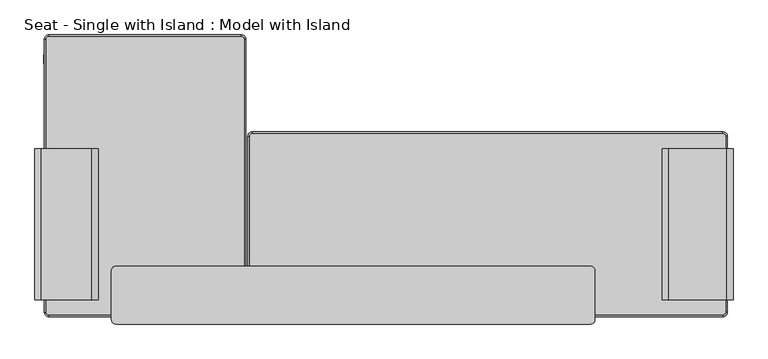
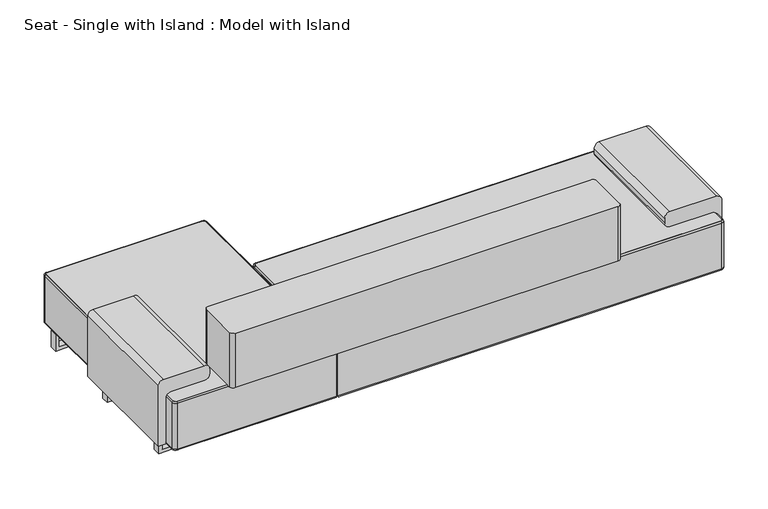
"""IFC4 building model written with IfcOpenShell, lengths in millimetres: furniture geometry, Seat - Single with Island : Model with Island."""

from ifc_helpers import new_model, si_unit, point, frame, frame_2d, origin, place, context, project, spatial, polyline, circle_curve, ellipse_curve, trimmed, segment, composite_curve, outline, extrude, source, transform, mapped, element, save
from ifc_brep_helpers import plane_surface, cylinder_surface, revolved_surface, advanced_brep


def seat_single_with_island_model_with_island_8a5f3a37(model_context):
    return source(origin(), model_context, "Body", "SolidModel", [
        extrude(outline(composite_curve([segment(polyline([(546.4482787, -1724.669966), (115.9164827, -1724.669966), (115.9164827, -1674.0949403), (441.7181484, -1674.0949403)]), True, "CONTINUOUS"), segment(trimmed(circle_curve(frame_2d((441.7181484, -1639.1594762)), 34.9354641), [point((441.7181484, -1674.0949403))], [point((476.6536125, -1639.1594762))], True, "CARTESIAN"), True, "CONTINUOUS"), segment(polyline([(476.6536125, -1639.1594762), (476.6536125, -1415.6900755)]), True, "CONTINUOUS"), segment(trimmed(circle_curve(frame_2d((511.5890766, -1415.6900755)), 34.9354641), [point((476.6536125, -1415.6900755))], [point((511.5890766, -1380.7546114))], False, "CARTESIAN"), True, "CONTINUOUS"), segment(polyline([(511.5890766, -1380.7546114), (546.4482787, -1380.7546114)]), True, "CONTINUOUS"), segment(trimmed(circle_curve(frame_2d((546.4482787, -1415.6900755)), 34.9354641), [point((546.4482787, -1380.7546114))], [point((581.3837428, -1415.6900755))], False, "CARTESIAN"), True, "CONTINUOUS"), segment(polyline([(581.3837428, -1415.6900755), (581.3837428, -1689.7345019)]), True, "CONTINUOUS"), segment(trimmed(circle_curve(frame_2d((546.4482787, -1689.7345019)), 34.9354641), [point((581.3837428, -1689.7345019))], [point((546.4482787, -1724.669966))], False, "CARTESIAN"), True, "CONTINUOUS")], self_intersect=False)), frame((0.0, 131.4012312, 0.0), z_axis=(0.0, 1.0, 0.0), x_axis=(0.0, 0.0, 1.0)), (0.0, 0.0, 1.0), 818.7308846),
        extrude(outline(composite_curve([segment(polyline([(441.7181484, 2028.0500347), (115.9164827, 2028.0500347), (115.9164827, 2058.3956976), (546.4482787, 2058.3956976)]), True, "CONTINUOUS"), segment(trimmed(circle_curve(frame_2d((546.4482787, 2023.4602335)), 34.9354641), [point((546.4482787, 2058.3956976))], [point((581.3837428, 2023.4602335))], False, "CARTESIAN"), True, "CONTINUOUS"), segment(polyline([(581.3837428, 2023.4602335), (581.3837428, 1708.9554628)]), True, "CONTINUOUS"), segment(trimmed(circle_curve(frame_2d((546.4482787, 1708.9554628)), 34.9354641), [point((581.3837428, 1708.9554628))], [point((546.4482787, 1674.0199987))], False, "CARTESIAN"), True, "CONTINUOUS"), segment(polyline([(546.4482787, 1674.0199987), (511.5890766, 1674.0199987)]), True, "CONTINUOUS"), segment(trimmed(circle_curve(frame_2d((511.5890766, 1708.9554628)), 34.9354641), [point((511.5890766, 1674.0199987))], [point((476.6536125, 1708.9554628))], False, "CARTESIAN"), True, "CONTINUOUS"), segment(polyline([(476.6536125, 1708.9554628), (476.6536125, 1993.1145706)]), True, "CONTINUOUS"), segment(trimmed(circle_curve(frame_2d((441.7181484, 1993.1145706)), 34.9354641), [point((476.6536125, 1993.1145706))], [point((441.7181484, 2028.0500347))], True, "CARTESIAN"), True, "CONTINUOUS")], self_intersect=False)), frame((0.0, 131.4012312, 0.0), z_axis=(0.0, 1.0, 0.0), x_axis=(0.0, 0.0, 1.0)), (0.0, 0.0, 1.0), 818.7308846),
        extrude(outline(composite_curve([segment(polyline([(-591.6216984, 1542.0142418), (-591.6216984, 50.4316258), (-1649.3641781, 50.4316258)]), True, "CONTINUOUS"), segment(trimmed(circle_curve(frame_2d((-1649.3641781, 65.1249172)), 14.6932914), [point((-1649.3641781, 50.4316258))], [point((-1664.0574695, 65.1249172))], False, "CARTESIAN"), True, "CONTINUOUS"), segment(polyline([(-1664.0574695, 65.1249172), (-1664.0574695, 1542.0142418)]), True, "CONTINUOUS"), segment(trimmed(circle_curve(frame_2d((-1649.3641781, 1542.0142418)), 14.6932914), [point((-1664.0574695, 1542.0142418))], [point((-1649.3641781, 1556.7075332))], False, "CARTESIAN"), True, "CONTINUOUS"), segment(polyline([(-1649.3641781, 1556.7075332), (-606.3149898, 1556.7075332)]), True, "CONTINUOUS"), segment(trimmed(circle_curve(frame_2d((-606.3149898, 1542.0142418)), 14.6932914), [point((-606.3149898, 1556.7075332))], [point((-591.6216984, 1542.0142418))], False, "CARTESIAN"), True, "CONTINUOUS")], self_intersect=False)), frame((0.0, 0.0, 115.0), z_axis=(0.0, 0.0, 1.0), x_axis=(1.0, 0.0, 0.0)), (0.0, 0.0, 1.0), 345.0),
        extrude(outline(composite_curve([segment(trimmed(circle_curve(frame_2d((-546.812107, 1016.4093171)), 14.6932914), [point((-561.5053984, 1016.4093171))], [point((-546.812107, 1031.1026085))], False, "CARTESIAN"), True, "CONTINUOUS"), segment(polyline([(-546.812107, 1031.1026085), (2003.3942141, 1031.1026085)]), True, "CONTINUOUS"), segment(trimmed(circle_curve(frame_2d((2003.3942141, 1016.4093171)), 14.6932914), [point((2003.3942141, 1031.1026085))], [point((2018.0875055, 1016.4093171))], False, "CARTESIAN"), True, "CONTINUOUS"), segment(polyline([(2018.0875055, 1016.4093171), (2018.0875055, 65.1249172)]), True, "CONTINUOUS"), segment(trimmed(circle_curve(frame_2d((2003.3942141, 65.1249172)), 14.6932914), [point((2018.0875055, 65.1249172))], [point((2003.3942141, 50.4316258))], False, "CARTESIAN"), True, "CONTINUOUS"), segment(polyline([(2003.3942141, 50.4316258), (-561.5053984, 50.4316258), (-561.5053984, 1016.4093171)]), True, "CONTINUOUS")], self_intersect=False)), frame((0.0, 0.0, 115.0), z_axis=(0.0, 0.0, 1.0), x_axis=(1.0, 0.0, 0.0)), (0.0, 0.0, 1.0), 345.0),
        extrude(outline(composite_curve([segment(trimmed(circle_curve(frame_2d((1285.217842, 288.6480378)), 24.6932914), [point((1285.217842, 313.3413292))], [point((1309.9111334, 288.6480378))], False, "CARTESIAN"), True, "CONTINUOUS"), segment(polyline([(1309.9111334, 288.6480378), (1309.9111334, 24.6932914)]), True, "CONTINUOUS"), segment(trimmed(circle_curve(frame_2d((1285.217842, 24.6932914)), 24.6932914), [point((1309.9111334, 24.6932914))], [point((1285.217842, 0.0))], False, "CARTESIAN"), True, "CONTINUOUS"), segment(polyline([(1285.217842, 0.0), (-1285.217842, 0.0)]), True, "CONTINUOUS"), segment(trimmed(circle_curve(frame_2d((-1285.217842, 24.6932914)), 24.6932914), [point((-1285.217842, 0.0))], [point((-1309.9111334, 24.6932914))], False, "CARTESIAN"), True, "CONTINUOUS"), segment(polyline([(-1309.9111334, 24.6932914), (-1309.9111334, 288.6480378)]), True, "CONTINUOUS"), segment(trimmed(circle_curve(frame_2d((-1285.217842, 288.6480378)), 24.6932914), [point((-1309.9111334, 288.6480378))], [point((-1285.217842, 313.3413292))], False, "CARTESIAN"), True, "CONTINUOUS"), segment(polyline([(-1285.217842, 313.3413292), (1285.217842, 313.3413292)]), True, "CONTINUOUS")], self_intersect=False)), frame((0.0, 0.0, 460.0), z_axis=(0.0, 0.0, 1.0), x_axis=(1.0, 0.0, 0.0)), (0.0, 0.0, 1.0), 385.0),
        extrude(outline(polyline([(23.1404972, 1674.0199987), (0.0, 1674.0199987), (0.0, 2028.0500347), (115.9164827, 2028.0500347), (115.9164827, 2005.2387677), (23.1404972, 2005.2387677), (23.1404972, 1674.0199987)])), frame((0.0, 810.0, 0.0), z_axis=(0.0, 1.0, 0.0), x_axis=(0.0, 0.0, 1.0)), (0.0, 0.0, 1.0), 50.0),
        extrude(outline(polyline([(23.1404972, 1674.0199987), (0.0, 1674.0199987), (0.0, 2028.0500347), (115.9164827, 2028.0500347), (115.9164827, 2005.2387677), (23.1404972, 2005.2387677), (23.1404972, 1674.0199987)])), frame((0.0, 210.0, 0.0), z_axis=(0.0, 1.0, 0.0), x_axis=(0.0, 0.0, 1.0)), (0.0, 0.0, 1.0), 50.0),
        extrude(outline(polyline([(0.0, -1676.4326517), (0.0, -1582.9227215), (23.1404972, -1582.9227215), (23.1404972, -1653.6213847), (115.9164827, -1653.6213847), (115.9164827, -1676.4326517), (0.0, -1676.4326517)])), frame((0.0, 1410.0, 0.0), z_axis=(0.0, 1.0, 0.0), x_axis=(0.0, 0.0, 1.0)), (0.0, 0.0, 1.0), 50.0),
        extrude(outline(polyline([(115.9164827, -611.8870359), (115.9164827, -634.6983029), (23.1404972, -634.6983029), (23.1404972, -705.3969661), (0.0, -705.3969661), (0.0, -611.8870359), (115.9164827, -611.8870359)])), frame((0.0, 1410.0, 0.0), z_axis=(0.0, 1.0, 0.0), x_axis=(0.0, 0.0, 1.0)), (0.0, 0.0, 1.0), 50.0),
        extrude(outline(polyline([(0.0, -1676.4326517), (0.0, -1582.9227215), (23.1404972, -1582.9227215), (23.1404972, -1653.6213847), (115.9164827, -1653.6213847), (115.9164827, -1676.4326517), (0.0, -1676.4326517)])), frame((0.0, 210.0, 0.0), z_axis=(0.0, 1.0, 0.0), x_axis=(0.0, 0.0, 1.0)), (0.0, 0.0, 1.0), 50.0),
        extrude(outline(polyline([(115.9164827, -611.8870359), (115.9164827, -634.6983029), (23.1404972, -634.6983029), (23.1404972, -705.3969661), (0.0, -705.3969661), (0.0, -611.8870359), (115.9164827, -611.8870359)])), frame((0.0, 210.0, 0.0), z_axis=(0.0, 1.0, 0.0), x_axis=(0.0, 0.0, 1.0)), (0.0, 0.0, 1.0), 50.0),
        extrude(outline(polyline([(0.0, -1676.4326517), (0.0, -1582.9227215), (23.1404972, -1582.9227215), (23.1404972, -1653.6213847), (115.9164827, -1653.6213847), (115.9164827, -1676.4326517), (0.0, -1676.4326517)])), frame((0.0, 810.0, 0.0), z_axis=(0.0, 1.0, 0.0), x_axis=(0.0, 0.0, 1.0)), (0.0, 0.0, 1.0), 50.0),
        extrude(outline(polyline([(115.9164827, -611.8870359), (115.9164827, -634.6983029), (23.1404972, -634.6983029), (23.1404972, -705.3969661), (0.0, -705.3969661), (0.0, -611.8870359), (115.9164827, -611.8870359)])), frame((0.0, 810.0, 0.0), z_axis=(0.0, 1.0, 0.0), x_axis=(0.0, 0.0, 1.0)), (0.0, 0.0, 1.0), 50.0),
        advanced_brep(
        [(-571.5053984, 1016.4093171, 125.0), (-546.812107, 1041.1026085, 125.0), (-546.812107, 1031.1026085, 115.0), (-561.5053984, 1016.4093171, 115.0), (-571.5053984, 1016.4093171, 450.0), (-546.812107, 1041.1026085, 450.0), (-561.5053984, 1016.4093171, 460.0), (-546.812107, 1031.1026085, 460.0), (-561.5053984, 50.4316258, 115.0), (-571.5053984, 40.4316258, 125.0), (-571.5053984, 40.4316258, 450.0), (-561.5053984, 50.4316258, 460.0), (2003.3942141, 50.4316258, 115.0), (2003.3942141, 40.4316258, 125.0), (2003.3942141, 40.4316258, 450.0), (2003.3942141, 50.4316258, 460.0), (2028.0875055, 65.1249172, 125.0), (2018.0875055, 65.1249172, 115.0), (2028.0875055, 65.1249172, 450.0), (2018.0875055, 65.1249172, 460.0), (2018.0875055, 1016.4093171, 115.0), (2028.0875055, 1016.4093171, 125.0), (2028.0875055, 1016.4093171, 450.0), (2018.0875055, 1016.4093171, 460.0), (2003.3942141, 1041.1026085, 125.0), (2003.3942141, 1031.1026085, 115.0), (2003.3942141, 1041.1026085, 450.0), (2003.3942141, 1031.1026085, 460.0)],
        [
            (0, 1, circle_curve(frame((-546.812107, 1016.4093171, 125.0), z_axis=(0.0, 0.0, -1.0), x_axis=(0.0, 1.0, 0.0)), 24.6932914)),
            (1, 2, circle_curve(frame((-546.812107, 1031.1026085, 125.0), z_axis=(-1.0, 0.0, 0.0), x_axis=(0.0, -1.0, 0.0)), 10.0)),
            (2, 3, circle_curve(frame((-546.812107, 1016.4093171, 115.0), z_axis=(0.0, 0.0, 1.0), x_axis=(0.0, 1.0, 0.0)), 14.6932914)),
            (3, 0, circle_curve(frame((-561.5053984, 1016.4093171, 125.0), z_axis=(0.0, 1.0, 0.0), x_axis=(1.0, 0.0, 0.0)), 10.0)),
            (4, 5, circle_curve(frame((-546.812107, 1016.4093171, 450.0), z_axis=(0.0, 0.0, -1.0), x_axis=(0.0, 1.0, 0.0)), 24.6932914)),
            (5, 1),
            (0, 4),
            (6, 7, circle_curve(frame((-546.812107, 1016.4093171, 460.0), z_axis=(0.0, 0.0, -1.0), x_axis=(0.0, 1.0, 0.0)), 14.6932914)),
            (7, 5, circle_curve(frame((-546.812107, 1031.1026085, 450.0), z_axis=(-1.0, 0.0, 0.0), x_axis=(0.0, -1.0, 0.0)), 10.0)),
            (4, 6, circle_curve(frame((-561.5053984, 1016.4093171, 450.0), z_axis=(0.0, 1.0, 0.0), x_axis=(1.0, 0.0, 0.0)), 10.0)),
            (2, 7),
            (6, 3),
            (3, 8),
            (8, 9, ellipse_curve(frame((-561.5053984, 50.4316258, 125.0), z_axis=(-0.7071067811865429, 0.707106781186552, 0.0), x_axis=(0.7071067811865519, 0.707106781186543, 0.0)), 14.1421356, 10.0)),
            (9, 0),
            (9, 10),
            (10, 4),
            (10, 11, ellipse_curve(frame((-561.5053984, 50.4316258, 450.0), z_axis=(-0.7071067811865429, 0.707106781186552, 0.0), x_axis=(0.7071067811865519, 0.707106781186543, 0.0)), 14.1421356, 10.0)),
            (11, 6),
            (11, 8),
            (8, 12),
            (12, 13, circle_curve(frame((2003.3942141, 50.4316258, 125.0), z_axis=(-1.0, 0.0, 0.0), x_axis=(0.0, 1.0, 0.0)), 10.0)),
            (13, 9),
            (13, 14),
            (14, 10),
            (14, 15, circle_curve(frame((2003.3942141, 50.4316258, 450.0), z_axis=(-1.0, 0.0, 0.0), x_axis=(0.0, 1.0, 0.0)), 10.0)),
            (15, 11),
            (15, 12),
            (16, 13, circle_curve(frame((2003.3942141, 65.1249172, 125.0), z_axis=(0.0, 0.0, -1.0), x_axis=(0.0, -1.0, 0.0)), 24.6932914)),
            (12, 17, circle_curve(frame((2003.3942141, 65.1249172, 115.0), z_axis=(0.0, 0.0, 1.0), x_axis=(0.0, -1.0, 0.0)), 14.6932914)),
            (17, 16, circle_curve(frame((2018.0875055, 65.1249172, 125.0), z_axis=(0.0, -1.0, 0.0), x_axis=(-1.0, 0.0, 0.0)), 10.0)),
            (18, 14, circle_curve(frame((2003.3942141, 65.1249172, 450.0), z_axis=(0.0, 0.0, -1.0), x_axis=(0.0, -1.0, 0.0)), 24.6932914)),
            (16, 18),
            (19, 15, circle_curve(frame((2003.3942141, 65.1249172, 460.0), z_axis=(0.0, 0.0, -1.0), x_axis=(0.0, -1.0, 0.0)), 14.6932914)),
            (18, 19, circle_curve(frame((2018.0875055, 65.1249172, 450.0), z_axis=(0.0, -1.0, 0.0), x_axis=(-1.0, 0.0, 0.0)), 10.0)),
            (19, 17),
            (17, 20),
            (20, 21, circle_curve(frame((2018.0875055, 1016.4093171, 125.0), z_axis=(0.0, -1.0, 0.0), x_axis=(-1.0, 0.0, 0.0)), 10.0)),
            (21, 16),
            (21, 22),
            (22, 18),
            (22, 23, circle_curve(frame((2018.0875055, 1016.4093171, 450.0), z_axis=(0.0, -1.0, 0.0), x_axis=(-1.0, 0.0, 0.0)), 10.0)),
            (23, 19),
            (23, 20),
            (24, 21, circle_curve(frame((2003.3942141, 1016.4093171, 125.0), z_axis=(0.0, 0.0, -1.0), x_axis=(1.0, 0.0, 0.0)), 24.6932914)),
            (20, 25, circle_curve(frame((2003.3942141, 1016.4093171, 115.0), z_axis=(0.0, 0.0, 1.0), x_axis=(1.0, 0.0, 0.0)), 14.6932914)),
            (25, 24, circle_curve(frame((2003.3942141, 1031.1026085, 125.0), z_axis=(1.0, 0.0, 0.0), x_axis=(0.0, -1.0, 0.0)), 10.0)),
            (26, 22, circle_curve(frame((2003.3942141, 1016.4093171, 450.0), z_axis=(0.0, 0.0, -1.0), x_axis=(1.0, 0.0, 0.0)), 24.6932914)),
            (24, 26),
            (27, 23, circle_curve(frame((2003.3942141, 1016.4093171, 460.0), z_axis=(0.0, 0.0, -1.0), x_axis=(1.0, 0.0, 0.0)), 14.6932914)),
            (26, 27, circle_curve(frame((2003.3942141, 1031.1026085, 450.0), z_axis=(1.0, 0.0, 0.0), x_axis=(0.0, -1.0, 0.0)), 10.0)),
            (27, 25),
            (25, 2),
            (1, 24),
            (5, 26),
            (7, 27),
        ],
        [
            revolved_surface(trimmed(ellipse_curve(frame((-546.812107, 1031.1026085, 125.0), z_axis=(1.0, 0.0, 0.0), x_axis=(0.0, -1.0, 0.0)), 10.0, 10.0), [point((-546.812107, 1031.1026085, 115.0))], [point((-546.812107, 1041.1026085, 125.0))], True, "CARTESIAN"), (-546.812107, 1016.4093171, 0.0), (0.0, 0.0, 1.0)),
            cylinder_surface(frame((-546.812107, 1016.4093171, 0.0), z_axis=(0.0, 0.0, 1.0), x_axis=(0.0, 1.0, 0.0)), 24.6932914),
            revolved_surface(trimmed(ellipse_curve(frame((-546.812107, 1031.1026085, 450.0), z_axis=(1.0, 0.0, 0.0), x_axis=(0.0, -1.0, 0.0)), 10.0, 10.0), [point((-546.812107, 1041.1026085, 450.0))], [point((-546.812107, 1031.1026085, 460.0))], True, "CARTESIAN"), (-546.812107, 1016.4093171, 0.0), (0.0, 0.0, 1.0)),
            revolved_surface(polyline([(-546.812107, 1031.1026084999999, 460.0), (-546.812107, 1031.1026084999999, 115.0)]), (-546.812107, 1016.4093171, 0.0), (0.0, 0.0, 1.0)),
            cylinder_surface(frame((-561.5053984, 1016.4093171, 125.0), z_axis=(0.0, 1.0, 0.0), x_axis=(1.0, 0.0, 0.0)), 10.0),
            plane_surface(frame((-571.5053984, 1016.4093171, 125.0), z_axis=(-1.0, 0.0, 0.0), x_axis=(0.0, -1.0, 0.0))),
            cylinder_surface(frame((-561.5053984, 1016.4093171, 450.0), z_axis=(0.0, 1.0, 0.0), x_axis=(1.0, 0.0, 0.0)), 10.0),
            plane_surface(frame((-561.5053984, 1016.4093171, 460.0), z_axis=(1.0, 0.0, 0.0), x_axis=(0.0, -1.0, 0.0))),
            cylinder_surface(frame((-561.5053984, 50.4316258, 125.0), z_axis=(-1.0, 0.0, 0.0), x_axis=(0.0, 1.0, 0.0)), 10.0),
            plane_surface(frame((-571.5053984, 40.4316258, 125.0), z_axis=(0.0, -1.0, 0.0), x_axis=(1.0, 0.0, 0.0))),
            cylinder_surface(frame((-561.5053984, 50.4316258, 450.0), z_axis=(-1.0, 0.0, 0.0), x_axis=(0.0, 1.0, 0.0)), 10.0),
            plane_surface(frame((-561.5053984, 50.4316258, 460.0), z_axis=(0.0, 1.0, 0.0), x_axis=(1.0, 0.0, 0.0))),
            revolved_surface(trimmed(ellipse_curve(frame((2003.3942141, 50.4316258, 125.0), z_axis=(-1.0, 0.0, 0.0), x_axis=(0.0, 1.0, 0.0)), 10.0, 10.0), [point((2003.3942141, 50.4316258, 115.0))], [point((2003.3942141, 40.4316258, 125.0))], True, "CARTESIAN"), (2003.3942141, 65.1249172, 0.0), (0.0, 0.0, 1.0)),
            cylinder_surface(frame((2003.3942141, 65.1249172, 0.0), z_axis=(0.0, 0.0, 1.0), x_axis=(0.0, -1.0, 0.0)), 24.6932914),
            revolved_surface(trimmed(ellipse_curve(frame((2003.3942141, 50.4316258, 450.0), z_axis=(-1.0, 0.0, 0.0), x_axis=(0.0, 1.0, 0.0)), 10.0, 10.0), [point((2003.3942141, 40.4316258, 450.0))], [point((2003.3942141, 50.4316258, 460.0))], True, "CARTESIAN"), (2003.3942141, 65.1249172, 0.0), (0.0, 0.0, 1.0)),
            revolved_surface(polyline([(2003.3942141, 50.4316258, 460.0), (2003.3942141, 50.4316258, 115.0)]), (2003.3942141, 65.1249172, 0.0), (0.0, 0.0, 1.0)),
            cylinder_surface(frame((2018.0875055, 65.1249172, 125.0), z_axis=(0.0, -1.0, 0.0), x_axis=(-1.0, 0.0, 0.0)), 10.0),
            plane_surface(frame((2028.0875055, 65.1249172, 125.0), z_axis=(1.0, 0.0, 0.0), x_axis=(0.0, 1.0, 0.0))),
            cylinder_surface(frame((2018.0875055, 65.1249172, 450.0), z_axis=(0.0, -1.0, 0.0), x_axis=(-1.0, 0.0, 0.0)), 10.0),
            plane_surface(frame((2018.0875055, 65.1249172, 460.0), z_axis=(-1.0, 0.0, 0.0), x_axis=(0.0, 1.0, 0.0))),
            revolved_surface(trimmed(ellipse_curve(frame((2018.0875055, 1016.4093171, 125.0), z_axis=(0.0, -1.0, 0.0), x_axis=(-1.0, 0.0, 0.0)), 10.0, 10.0), [point((2018.0875055, 1016.4093171, 115.0))], [point((2028.0875055, 1016.4093171, 125.0))], True, "CARTESIAN"), (2003.3942141, 1016.4093171, 0.0), (0.0, 0.0, 1.0)),
            cylinder_surface(frame((2003.3942141, 1016.4093171, 0.0), z_axis=(0.0, 0.0, 1.0), x_axis=(1.0, 0.0, 0.0)), 24.6932914),
            revolved_surface(trimmed(ellipse_curve(frame((2018.0875055, 1016.4093171, 450.0), z_axis=(0.0, -1.0, 0.0), x_axis=(-1.0, 0.0, 0.0)), 10.0, 10.0), [point((2028.0875055, 1016.4093171, 450.0))], [point((2018.0875055, 1016.4093171, 460.0))], True, "CARTESIAN"), (2003.3942141, 1016.4093171, 0.0), (0.0, 0.0, 1.0)),
            revolved_surface(polyline([(2018.0875055, 1016.4093171, 460.0), (2018.0875055, 1016.4093171, 115.0)]), (2003.3942141, 1016.4093171, 0.0), (0.0, 0.0, 1.0)),
            cylinder_surface(frame((2003.3942141, 1031.1026085, 125.0), z_axis=(1.0, 0.0, 0.0), x_axis=(0.0, -1.0, 0.0)), 10.0),
            plane_surface(frame((2003.3942141, 1041.1026085, 125.0), z_axis=(0.0, 1.0, 0.0), x_axis=(-1.0, 0.0, 0.0))),
            cylinder_surface(frame((2003.3942141, 1031.1026085, 450.0), z_axis=(1.0, 0.0, 0.0), x_axis=(0.0, -1.0, 0.0)), 10.0),
            plane_surface(frame((2003.3942141, 1031.1026085, 460.0), z_axis=(0.0, -1.0, 0.0), x_axis=(-1.0, 0.0, 0.0))),
        ],
        [
            (0, [[1, 2, 3, 4]]),
            (1, [[5, 6, -1, 7]]),
            (2, [[8, 9, -5, 10]]),
            (3, [[-3, 11, -8, 12]]),
            (4, [[-4, 13, 14, 15]]),
            (5, [[-7, -15, 16, 17]]),
            (6, [[-10, -17, 18, 19]]),
            (7, [[-12, -19, 20, -13]]),
            (8, [[-14, 21, 22, 23]]),
            (9, [[-16, -23, 24, 25]]),
            (10, [[-18, -25, 26, 27]]),
            (11, [[-20, -27, 28, -21]]),
            (12, [[29, -22, 30, 31]]),
            (13, [[32, -24, -29, 33]]),
            (14, [[34, -26, -32, 35]]),
            (15, [[-30, -28, -34, 36]]),
            (16, [[-31, 37, 38, 39]]),
            (17, [[-33, -39, 40, 41]]),
            (18, [[-35, -41, 42, 43]]),
            (19, [[-36, -43, 44, -37]]),
            (20, [[45, -38, 46, 47]]),
            (21, [[48, -40, -45, 49]]),
            (22, [[50, -42, -48, 51]]),
            (23, [[-46, -44, -50, 52]]),
            (24, [[-47, 53, -2, 54]]),
            (25, [[-49, -54, -6, 55]]),
            (26, [[-51, -55, -9, 56]]),
            (27, [[-52, -56, -11, -53]]),
        ],
    ),
        advanced_brep(
        [(-1674.0574695, 1542.0142418, 125.0), (-1649.3641781, 1566.7075332, 125.0), (-1649.3641781, 1556.7075332, 115.0), (-1664.0574695, 1542.0142418, 115.0), (-1674.0574695, 1542.0142418, 450.0), (-1649.3641781, 1566.7075332, 450.0), (-1664.0574695, 1542.0142418, 460.0), (-1649.3641781, 1556.7075332, 460.0), (-1664.0574695, 65.1249172, 115.0), (-1674.0574695, 65.1249172, 125.0), (-1674.0574695, 65.1249172, 450.0), (-1664.0574695, 65.1249172, 460.0), (-1649.3641781, 40.4316258, 125.0), (-1649.3641781, 50.4316258, 115.0), (-1649.3641781, 40.4316258, 450.0), (-1649.3641781, 50.4316258, 460.0), (-591.6216984, 50.4316258, 115.0), (-581.6216984, 40.4316258, 125.0), (-581.6216984, 40.4316258, 450.0), (-591.6216984, 50.4316258, 460.0), (-591.6216984, 1542.0142418, 115.0), (-581.6216984, 1542.0142418, 125.0), (-581.6216984, 1542.0142418, 450.0), (-591.6216984, 1542.0142418, 460.0), (-606.3149898, 1566.7075332, 125.0), (-606.3149898, 1556.7075332, 115.0), (-606.3149898, 1566.7075332, 450.0), (-606.3149898, 1556.7075332, 460.0)],
        [
            (0, 1, circle_curve(frame((-1649.3641781, 1542.0142418, 125.0), z_axis=(0.0, 0.0, -1.0), x_axis=(0.0, 1.0, 0.0)), 24.6932914)),
            (1, 2, circle_curve(frame((-1649.3641781, 1556.7075332, 125.0), z_axis=(-1.0, 0.0, 0.0), x_axis=(0.0, -1.0, 0.0)), 10.0)),
            (2, 3, circle_curve(frame((-1649.3641781, 1542.0142418, 115.0), z_axis=(0.0, 0.0, 1.0), x_axis=(0.0, 1.0, 0.0)), 14.6932914)),
            (3, 0, circle_curve(frame((-1664.0574695, 1542.0142418, 125.0), z_axis=(0.0, 1.0, 0.0), x_axis=(1.0, 0.0, 0.0)), 10.0)),
            (4, 5, circle_curve(frame((-1649.3641781, 1542.0142418, 450.0), z_axis=(0.0, 0.0, -1.0), x_axis=(0.0, 1.0, 0.0)), 24.6932914)),
            (5, 1),
            (0, 4),
            (6, 7, circle_curve(frame((-1649.3641781, 1542.0142418, 460.0), z_axis=(0.0, 0.0, -1.0), x_axis=(0.0, 1.0, 0.0)), 14.6932914)),
            (7, 5, circle_curve(frame((-1649.3641781, 1556.7075332, 450.0), z_axis=(-1.0, 0.0, 0.0), x_axis=(0.0, -1.0, 0.0)), 10.0)),
            (4, 6, circle_curve(frame((-1664.0574695, 1542.0142418, 450.0), z_axis=(0.0, 1.0, 0.0), x_axis=(1.0, 0.0, 0.0)), 10.0)),
            (2, 7),
            (6, 3),
            (3, 8),
            (8, 9, circle_curve(frame((-1664.0574695, 65.1249172, 125.0), z_axis=(0.0, 1.0, 0.0), x_axis=(1.0, 0.0, 0.0)), 10.0)),
            (9, 0),
            (9, 10),
            (10, 4),
            (10, 11, circle_curve(frame((-1664.0574695, 65.1249172, 450.0), z_axis=(0.0, 1.0, 0.0), x_axis=(1.0, 0.0, 0.0)), 10.0)),
            (11, 6),
            (11, 8),
            (12, 9, circle_curve(frame((-1649.3641781, 65.1249172, 125.0), z_axis=(0.0, 0.0, -1.0), x_axis=(-1.0, 0.0, 0.0)), 24.6932914)),
            (8, 13, circle_curve(frame((-1649.3641781, 65.1249172, 115.0), z_axis=(0.0, 0.0, 1.0), x_axis=(-1.0, 0.0, 0.0)), 14.6932914)),
            (13, 12, circle_curve(frame((-1649.3641781, 50.4316258, 125.0), z_axis=(-1.0, 0.0, 0.0), x_axis=(0.0, 1.0, 0.0)), 10.0)),
            (14, 10, circle_curve(frame((-1649.3641781, 65.1249172, 450.0), z_axis=(0.0, 0.0, -1.0), x_axis=(-1.0, 0.0, 0.0)), 24.6932914)),
            (12, 14),
            (15, 11, circle_curve(frame((-1649.3641781, 65.1249172, 460.0), z_axis=(0.0, 0.0, -1.0), x_axis=(-1.0, 0.0, 0.0)), 14.6932914)),
            (14, 15, circle_curve(frame((-1649.3641781, 50.4316258, 450.0), z_axis=(-1.0, 0.0, 0.0), x_axis=(0.0, 1.0, 0.0)), 10.0)),
            (15, 13),
            (13, 16),
            (16, 17, ellipse_curve(frame((-591.6216984, 50.4316258, 125.0), z_axis=(-0.7071067811865525, -0.7071067811865426, 0.0), x_axis=(-0.7071067811865426, 0.7071067811865525, 0.0)), 14.1421356, 10.0)),
            (17, 12),
            (17, 18),
            (18, 14),
            (18, 19, ellipse_curve(frame((-591.6216984, 50.4316258, 450.0), z_axis=(-0.7071067811865525, -0.7071067811865426, 0.0), x_axis=(-0.7071067811865426, 0.7071067811865525, 0.0)), 14.1421356, 10.0)),
            (19, 15),
            (19, 16),
            (16, 20),
            (20, 21, circle_curve(frame((-591.6216984, 1542.0142418, 125.0), z_axis=(0.0, -1.0, 0.0), x_axis=(-1.0, 0.0, 0.0)), 10.0)),
            (21, 17),
            (21, 22),
            (22, 18),
            (22, 23, circle_curve(frame((-591.6216984, 1542.0142418, 450.0), z_axis=(0.0, -1.0, 0.0), x_axis=(-1.0, 0.0, 0.0)), 10.0)),
            (23, 19),
            (23, 20),
            (24, 21, circle_curve(frame((-606.3149898, 1542.0142418, 125.0), z_axis=(0.0, 0.0, -1.0), x_axis=(1.0, 0.0, 0.0)), 24.6932914)),
            (20, 25, circle_curve(frame((-606.3149898, 1542.0142418, 115.0), z_axis=(0.0, 0.0, 1.0), x_axis=(1.0, 0.0, 0.0)), 14.6932914)),
            (25, 24, circle_curve(frame((-606.3149898, 1556.7075332, 125.0), z_axis=(1.0, 0.0, 0.0), x_axis=(0.0, -1.0, 0.0)), 10.0)),
            (26, 22, circle_curve(frame((-606.3149898, 1542.0142418, 450.0), z_axis=(0.0, 0.0, -1.0), x_axis=(1.0, 0.0, 0.0)), 24.6932914)),
            (24, 26),
            (27, 23, circle_curve(frame((-606.3149898, 1542.0142418, 460.0), z_axis=(0.0, 0.0, -1.0), x_axis=(1.0, 0.0, 0.0)), 14.6932914)),
            (26, 27, circle_curve(frame((-606.3149898, 1556.7075332, 450.0), z_axis=(1.0, 0.0, 0.0), x_axis=(0.0, -1.0, 0.0)), 10.0)),
            (27, 25),
            (25, 2),
            (1, 24),
            (5, 26),
            (7, 27),
        ],
        [
            revolved_surface(trimmed(ellipse_curve(frame((-1649.3641781, 1556.7075332, 125.0), z_axis=(1.0, 0.0, 0.0), x_axis=(0.0, -1.0, 0.0)), 10.0, 10.0), [point((-1649.3641781, 1556.7075332, 115.0))], [point((-1649.3641781, 1566.7075332, 125.0))], True, "CARTESIAN"), (-1649.3641781, 1542.0142418, 0.0), (0.0, 0.0, 1.0)),
            cylinder_surface(frame((-1649.3641781, 1542.0142418, 0.0), z_axis=(0.0, 0.0, 1.0), x_axis=(0.0, 1.0, 0.0)), 24.6932914),
            revolved_surface(trimmed(ellipse_curve(frame((-1649.3641781, 1556.7075332, 450.0), z_axis=(1.0, 0.0, 0.0), x_axis=(0.0, -1.0, 0.0)), 10.0, 10.0), [point((-1649.3641781, 1566.7075332, 450.0))], [point((-1649.3641781, 1556.7075332, 460.0))], True, "CARTESIAN"), (-1649.3641781, 1542.0142418, 0.0), (0.0, 0.0, 1.0)),
            revolved_surface(polyline([(-1649.3641781, 1556.7075332, 460.0), (-1649.3641781, 1556.7075332, 115.0)]), (-1649.3641781, 1542.0142418, 0.0), (0.0, 0.0, 1.0)),
            cylinder_surface(frame((-1664.0574695, 1542.0142418, 125.0), z_axis=(0.0, 1.0, 0.0), x_axis=(1.0, 0.0, 0.0)), 10.0),
            plane_surface(frame((-1674.0574695, 1542.0142418, 125.0), z_axis=(-1.0, 0.0, 0.0), x_axis=(0.0, -1.0, 0.0))),
            cylinder_surface(frame((-1664.0574695, 1542.0142418, 450.0), z_axis=(0.0, 1.0, 0.0), x_axis=(1.0, 0.0, 0.0)), 10.0),
            plane_surface(frame((-1664.0574695, 1542.0142418, 460.0), z_axis=(1.0, 0.0, 0.0), x_axis=(0.0, -1.0, 0.0))),
            revolved_surface(trimmed(ellipse_curve(frame((-1664.0574695, 65.1249172, 125.0), z_axis=(0.0, 1.0, 0.0), x_axis=(1.0, 0.0, 0.0)), 10.0, 10.0), [point((-1664.0574695, 65.1249172, 115.0))], [point((-1674.0574695, 65.1249172, 125.0))], True, "CARTESIAN"), (-1649.3641781, 65.1249172, 0.0), (0.0, 0.0, 1.0)),
            cylinder_surface(frame((-1649.3641781, 65.1249172, 0.0), z_axis=(0.0, 0.0, 1.0), x_axis=(-1.0, 0.0, 0.0)), 24.6932914),
            revolved_surface(trimmed(ellipse_curve(frame((-1664.0574695, 65.1249172, 450.0), z_axis=(0.0, 1.0, 0.0), x_axis=(1.0, 0.0, 0.0)), 10.0, 10.0), [point((-1674.0574695, 65.1249172, 450.0))], [point((-1664.0574695, 65.1249172, 460.0))], True, "CARTESIAN"), (-1649.3641781, 65.1249172, 0.0), (0.0, 0.0, 1.0)),
            revolved_surface(polyline([(-1664.0574694999998, 65.1249172, 460.0), (-1664.0574694999998, 65.1249172, 115.0)]), (-1649.3641781, 65.1249172, 0.0), (0.0, 0.0, 1.0)),
            cylinder_surface(frame((-1649.3641781, 50.4316258, 125.0), z_axis=(-1.0, 0.0, 0.0), x_axis=(0.0, 1.0, 0.0)), 10.0),
            plane_surface(frame((-1649.3641781, 40.4316258, 125.0), z_axis=(0.0, -1.0, 0.0), x_axis=(1.0, 0.0, 0.0))),
            cylinder_surface(frame((-1649.3641781, 50.4316258, 450.0), z_axis=(-1.0, 0.0, 0.0), x_axis=(0.0, 1.0, 0.0)), 10.0),
            plane_surface(frame((-1649.3641781, 50.4316258, 460.0), z_axis=(0.0, 1.0, 0.0), x_axis=(1.0, 0.0, 0.0))),
            cylinder_surface(frame((-591.6216984, 50.4316258, 125.0), z_axis=(0.0, -1.0, 0.0), x_axis=(-1.0, 0.0, 0.0)), 10.0),
            plane_surface(frame((-581.6216984, 40.4316258, 125.0), z_axis=(1.0, 0.0, 0.0), x_axis=(0.0, 1.0, 0.0))),
            cylinder_surface(frame((-591.6216984, 50.4316258, 450.0), z_axis=(0.0, -1.0, 0.0), x_axis=(-1.0, 0.0, 0.0)), 10.0),
            plane_surface(frame((-591.6216984, 50.4316258, 460.0), z_axis=(-1.0, 0.0, 0.0), x_axis=(0.0, 1.0, 0.0))),
            revolved_surface(trimmed(ellipse_curve(frame((-591.6216984, 1542.0142418, 125.0), z_axis=(0.0, -1.0, 0.0), x_axis=(-1.0, 0.0, 0.0)), 10.0, 10.0), [point((-591.6216984, 1542.0142418, 115.0))], [point((-581.6216984, 1542.0142418, 125.0))], True, "CARTESIAN"), (-606.3149898, 1542.0142418, 0.0), (0.0, 0.0, 1.0)),
            cylinder_surface(frame((-606.3149898, 1542.0142418, 0.0), z_axis=(0.0, 0.0, 1.0), x_axis=(1.0, 0.0, 0.0)), 24.6932914),
            revolved_surface(trimmed(ellipse_curve(frame((-591.6216984, 1542.0142418, 450.0), z_axis=(0.0, -1.0, 0.0), x_axis=(-1.0, 0.0, 0.0)), 10.0, 10.0), [point((-581.6216984, 1542.0142418, 450.0))], [point((-591.6216984, 1542.0142418, 460.0))], True, "CARTESIAN"), (-606.3149898, 1542.0142418, 0.0), (0.0, 0.0, 1.0)),
            revolved_surface(polyline([(-591.6216984, 1542.0142418, 460.0), (-591.6216984, 1542.0142418, 115.0)]), (-606.3149898, 1542.0142418, 0.0), (0.0, 0.0, 1.0)),
            cylinder_surface(frame((-606.3149898, 1556.7075332, 125.0), z_axis=(1.0, 0.0, 0.0), x_axis=(0.0, -1.0, 0.0)), 10.0),
            plane_surface(frame((-606.3149898, 1566.7075332, 125.0), z_axis=(0.0, 1.0, 0.0), x_axis=(-1.0, 0.0, 0.0))),
            cylinder_surface(frame((-606.3149898, 1556.7075332, 450.0), z_axis=(1.0, 0.0, 0.0), x_axis=(0.0, -1.0, 0.0)), 10.0),
            plane_surface(frame((-606.3149898, 1556.7075332, 460.0), z_axis=(0.0, -1.0, 0.0), x_axis=(-1.0, 0.0, 0.0))),
        ],
        [
            (0, [[1, 2, 3, 4]]),
            (1, [[5, 6, -1, 7]]),
            (2, [[8, 9, -5, 10]]),
            (3, [[-3, 11, -8, 12]]),
            (4, [[-4, 13, 14, 15]]),
            (5, [[-7, -15, 16, 17]]),
            (6, [[-10, -17, 18, 19]]),
            (7, [[-12, -19, 20, -13]]),
            (8, [[21, -14, 22, 23]]),
            (9, [[24, -16, -21, 25]]),
            (10, [[26, -18, -24, 27]]),
            (11, [[-22, -20, -26, 28]]),
            (12, [[-23, 29, 30, 31]]),
            (13, [[-25, -31, 32, 33]]),
            (14, [[-27, -33, 34, 35]]),
            (15, [[-28, -35, 36, -29]]),
            (16, [[-30, 37, 38, 39]]),
            (17, [[-32, -39, 40, 41]]),
            (18, [[-34, -41, 42, 43]]),
            (19, [[-36, -43, 44, -37]]),
            (20, [[45, -38, 46, 47]]),
            (21, [[48, -40, -45, 49]]),
            (22, [[50, -42, -48, 51]]),
            (23, [[-46, -44, -50, 52]]),
            (24, [[-47, 53, -2, 54]]),
            (25, [[-49, -54, -6, 55]]),
            (26, [[-51, -55, -9, 56]]),
            (27, [[-52, -56, -11, -53]]),
        ],
    ),
    ])


if __name__ == "__main__":
    model = new_model("IFC4")
    model_context = context("Model", 3, world=origin())
    ifc_project = project(units=[si_unit("LENGTHUNIT", "METRE", prefix="MILLI")], contexts=[model_context])
    site = spatial("IfcSite", under=ifc_project)
    building = spatial("IfcBuilding", under=site)
    placement = place(None, origin())
    seat_single_with_island_model_with_island_shape = seat_single_with_island_model_with_island_8a5f3a37(model_context)
    element("IfcFurniture", 1, ObjectType="Seat - Single with Island : Model with Island", at=placement, inside=building, context=model_context, shape_type="MappedRepresentation", body=[
        mapped(seat_single_with_island_model_with_island_shape, transform((0.0, 0.0, 0.0), x_axis=(1.0, 0.0, 0.0), y_axis=(0.0, 1.0, 0.0), z_axis=(0.0, 0.0, 1.0))),
    ])
    save(model, "model.ifc")
